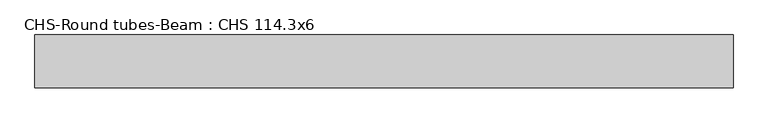
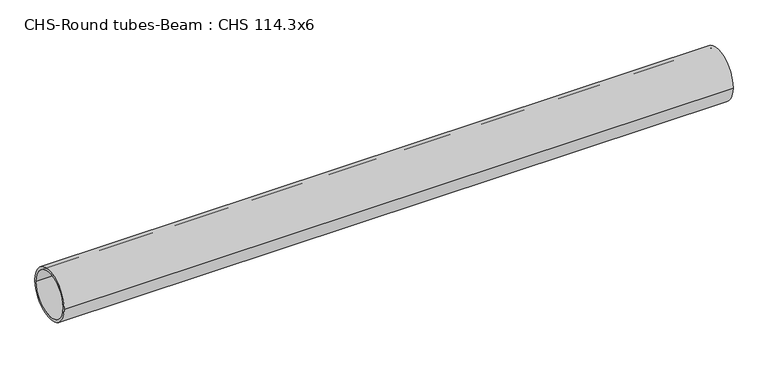
"""IFC4 building model written with IfcOpenShell, lengths in millimetres: beam geometry, CHS-Round tubes-Beam : CHS 114.3x6."""

from ifc_helpers import new_model, si_unit, point, frame, origin, origin_2d, place, context, project, spatial, circle_curve, trimmed, segment, composite_curve, outline, extrude, source, transform, mapped, element, save


def chs_round_tubes_beam_chs_114_3x6_14130093(model_context):
    return source(origin(), model_context, "Body", "SweptSolid", [
        extrude(outline(composite_curve([segment(trimmed(circle_curve(origin_2d(), 57.15), [point((57.15, 0.0))], [point((-57.15, 0.0))], False, "CARTESIAN"), True, "CONTINUOUS"), segment(trimmed(circle_curve(origin_2d(), 57.15), [point((-57.15, 0.0))], [point((57.15, 0.0))], False, "CARTESIAN"), True, "CONTINUOUS")], self_intersect=False), holes=[composite_curve([segment(trimmed(circle_curve(origin_2d(), 51.15), [point((51.15, 0.0))], [point((-51.15, 0.0))], True, "CARTESIAN"), True, "CONTINUOUS"), segment(trimmed(circle_curve(origin_2d(), 51.15), [point((-51.15, 0.0))], [point((51.15, 0.0))], True, "CARTESIAN"), True, "CONTINUOUS")], self_intersect=False)]), frame((-741.2744944, 0.0, 0.0), z_axis=(1.0, 0.0, 0.0), x_axis=(0.0, 1.0, 0.0)), (0.0, 0.0, 1.0), 1506.4456149),
    ])


if __name__ == "__main__":
    model = new_model("IFC4")
    model_context = context("Model", 3, world=origin())
    ifc_project = project(units=[si_unit("LENGTHUNIT", "METRE", prefix="MILLI")], contexts=[model_context])
    site = spatial("IfcSite", under=ifc_project)
    building = spatial("IfcBuilding", under=site)
    placement = place(None, origin())
    chs_round_tubes_beam_chs_114_3x6_shape = chs_round_tubes_beam_chs_114_3x6_14130093(model_context)
    element("IfcBeam", 1, ObjectType="CHS-Round tubes-Beam : CHS 114.3x6", at=placement, inside=building, context=model_context, shape_type="MappedRepresentation", body=[
        mapped(chs_round_tubes_beam_chs_114_3x6_shape, transform((0.0, 0.0, 0.0), x_axis=(1.0, 0.0, 0.0), y_axis=(0.0, 1.0, 0.0), z_axis=(0.0, 0.0, 1.0))),
    ])
    save(model, "model.ifc")
